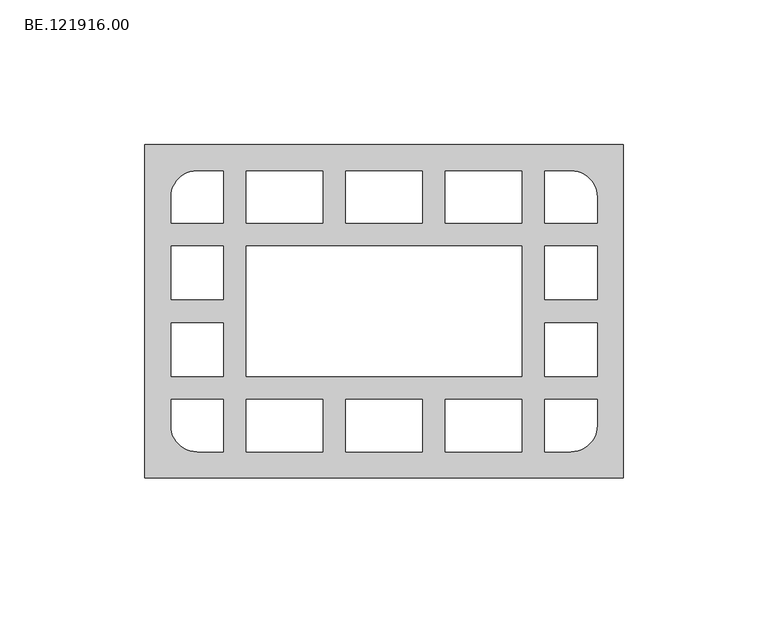
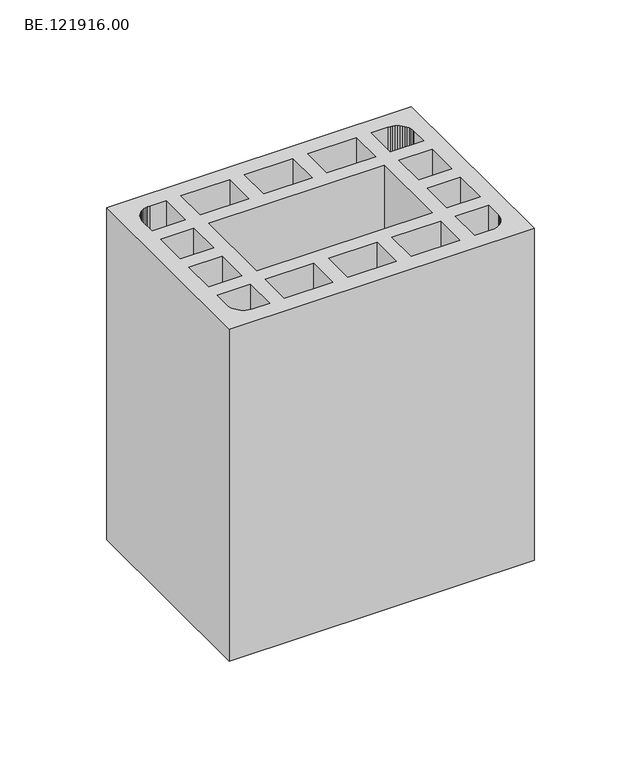
"""IFC4 building model written with IfcOpenShell, lengths in millimetres: proxy geometry, BE.121916.00."""

import ifcopenshell
import ifcopenshell.guid

model = None  # the IFC model being written
_history = None  # IfcOwnerHistory: only IFC2X3 demands one
_inside = {}  # id of a spatial element -> (the spatial element, [elements in it])
_under = {}  # id of a project, library or spatial element -> (it, [spatial elements below it])
_declared = {}  # id of a project -> (the project, [libraries it declares])
_typed = {}  # id of a type object -> (the type object, [elements of that type])
_made_of = {}  # id of a material, layer set ... -> (it, [elements and type objects made of it])


def new_model(schema):
    """Start an empty IFC model of exactly this schema.

    Asked for "IFC4X3", IfcOpenShell would pick the latest addendum, in which some entities
    have other attributes; the version numbers below select the first issue.
    IFC2X3 requires an IfcOwnerHistory on every rooted entity: one is made here for all.
    """
    global model, _history
    if schema == "IFC4X3":
        model = ifcopenshell.file(schema_version=(4, 3, 0, 0))
    else:
        model = ifcopenshell.file(schema=schema)
    _inside.clear()
    _under.clear()
    _declared.clear()
    _typed.clear()
    _made_of.clear()
    _history = None
    if model.schema == "IFC2X3":
        org = make("IfcOrganization", Name="unknown")
        user = make(
            "IfcPersonAndOrganization",
            ThePerson=make("IfcPerson", FamilyName="unknown"),
            TheOrganization=org,
        )
        app = make(
            "IfcApplication",
            ApplicationDeveloper=org,
            Version="unknown",
            ApplicationFullName="unknown",
            ApplicationIdentifier="unknown",
        )
        _history = make(
            "IfcOwnerHistory",
            OwningUser=user,
            OwningApplication=app,
            ChangeAction="ADDED",
            CreationDate=0,
        )
    return model


def make(cls, **values):
    """One entity of the class cls with the attributes given. An attribute that is None is left unset."""
    return model.create_entity(
        cls, **{name: value for name, value in values.items() if value is not None}
    )


def rooted(cls, **values):
    """An entity with a GlobalId (a new one), such as an element, a storey or a relation."""
    return make(cls, GlobalId=ifcopenshell.guid.new(), OwnerHistory=_history, **values)


def si_unit(unit_type, name, prefix=None):
    """IfcSIUnit, for example si_unit("LENGTHUNIT", "METRE", prefix="MILLI")."""
    return make("IfcSIUnit", UnitType=unit_type, Prefix=prefix, Name=name)


def assignment(units):
    """IfcUnitAssignment: the units of a project."""
    return None if units is None else make("IfcUnitAssignment", Units=units)


def point(xyz):
    """IfcCartesianPoint."""
    return None if xyz is None else make("IfcCartesianPoint", Coordinates=xyz)


def direction(xyz):
    """IfcDirection."""
    return None if xyz is None else make("IfcDirection", DirectionRatios=xyz)


def frame(location, z_axis=None, x_axis=None):
    """IfcAxis2Placement3D, a coordinate frame: its origin and axes. An axis left out is left unset."""
    return make(
        "IfcAxis2Placement3D",
        Location=point(location),
        Axis=direction(z_axis),
        RefDirection=direction(x_axis),
    )


def origin():
    """The frame at (0, 0, 0) with its axes left unset."""
    return frame((0.0, 0.0, 0.0))


def origin_with_axes():
    """The frame at (0, 0, 0) with the z axis (0, 0, 1) and the x axis (1, 0, 0) written out."""
    return frame((0.0, 0.0, 0.0), z_axis=(0.0, 0.0, 1.0), x_axis=(1.0, 0.0, 0.0))


def place(relative_to, where):
    """IfcLocalPlacement: puts the frame where relative to a parent placement (None: the world)."""
    return make(
        "IfcLocalPlacement", PlacementRelTo=relative_to, RelativePlacement=where
    )


def context(
    kind, dimensions, precision=None, world=None, true_north=None, identifier=None
):
    """IfcGeometricRepresentationContext, for example the 3D "Model" context."""
    return make(
        "IfcGeometricRepresentationContext",
        ContextIdentifier=identifier,
        ContextType=kind,
        CoordinateSpaceDimension=dimensions,
        Precision=precision,
        WorldCoordinateSystem=world,
        TrueNorth=true_north,
    )


def project(units=None, contexts=None):
    """IfcProject with its units and contexts."""
    return rooted(
        "IfcProject",
        Name="project",
        RepresentationContexts=contexts,
        UnitsInContext=assignment(units),
    )


def spatial(cls, under=None, at=None, **own):
    """A site, building, storey or space (cls), placed at a placement, below another one or the project."""
    s = rooted(cls, ObjectPlacement=at, **own)
    if under is not None:
        _under.setdefault(under.id(), (under, []))[1].append(s)
    return s


def polyline(points):
    """IfcPolyline through the points."""
    return make("IfcPolyline", Points=[point(p) for p in points])


def outline(outer, holes=None, kind="AREA"):
    """IfcArbitraryClosedProfileDef: a profile drawn as a closed curve; with holes, ...WithVoids."""
    if holes is None:
        return make("IfcArbitraryClosedProfileDef", ProfileType=kind, OuterCurve=outer)
    return make(
        "IfcArbitraryProfileDefWithVoids",
        ProfileType=kind,
        OuterCurve=outer,
        InnerCurves=holes,
    )


def extrude(swept, where, along, depth):
    """IfcExtrudedAreaSolid: the profile swept, set in the frame where, extruded along a direction by depth."""
    return make(
        "IfcExtrudedAreaSolid",
        SweptArea=swept,
        Position=where,
        ExtrudedDirection=direction(along),
        Depth=depth,
    )


def shape(context_of_items, identifier, shape_type, items):
    """IfcShapeRepresentation: the items that make up one representation, for example the "Body"."""
    return make(
        "IfcShapeRepresentation",
        ContextOfItems=context_of_items,
        RepresentationIdentifier=identifier,
        RepresentationType=shape_type,
        Items=items,
    )


def source(mapping_origin, context_of_items, identifier, shape_type, items):
    """IfcRepresentationMap: a shape defined once, which mapped items show again and again."""
    return make(
        "IfcRepresentationMap",
        MappingOrigin=mapping_origin,
        MappedRepresentation=shape(context_of_items, identifier, shape_type, items),
    )


def transform(
    local_origin,
    x_axis=None,
    y_axis=None,
    z_axis=None,
    scale=None,
    scale2=None,
    scale3=None,
    uniform=True,
):
    """IfcCartesianTransformationOperator3D, or its non-uniform kind. x_axis, y_axis, z_axis: its Axis1, 2, 3."""
    if uniform:
        return make(
            "IfcCartesianTransformationOperator3D",
            Axis1=direction(x_axis),
            Axis2=direction(y_axis),
            LocalOrigin=point(local_origin),
            Scale=scale,
            Axis3=direction(z_axis),
        )
    return make(
        "IfcCartesianTransformationOperator3DnonUniform",
        Axis1=direction(x_axis),
        Axis2=direction(y_axis),
        LocalOrigin=point(local_origin),
        Scale=scale,
        Axis3=direction(z_axis),
        Scale2=scale2,
        Scale3=scale3,
    )


def mapped(mapping_source, mapping_target):
    """IfcMappedItem: shows the shape of a source again, moved by a transform."""
    return make(
        "IfcMappedItem", MappingSource=mapping_source, MappingTarget=mapping_target
    )


def made_of(thing, what):
    """Note that an element or type object is made of a material, layer set ...; save() writes the relation."""
    if what is not None:
        _made_of.setdefault(what.id(), (what, []))[1].append(thing)
    return thing


def element(
    cls,
    number,
    at=None,
    inside=None,
    cuts=None,
    type_object=None,
    material=None,
    context=None,
    identifier="Body",
    shape_type=None,
    held_by="IfcProductDefinitionShape",
    body=None,
    shapes=None,
    **own,
):
    """One element of the class cls, such as IfcWall. Its Tag is "e" and its number.

    at: its placement. inside: the storey or other place that contains it. cuts: it is an
    opening in that element (IfcRelVoidsElement). A single representation is given by context,
    identifier, shape_type and body (its items); several are given by shapes. held_by: the class
    of the entity that holds the representations. save() writes the other relations.
    """
    e = rooted(cls, Tag="e%d" % number, ObjectPlacement=at, **own)
    if body is not None:
        shapes = [shape(context, identifier, shape_type, body)]
    if shapes is not None:
        e.Representation = make(held_by, Representations=shapes)
    if inside is not None:
        _inside.setdefault(inside.id(), (inside, []))[1].append(e)
    if cuts is not None:
        rooted(
            "IfcRelVoidsElement", RelatingBuildingElement=cuts, RelatedOpeningElement=e
        )
    if type_object is not None:
        _typed.setdefault(type_object.id(), (type_object, []))[1].append(e)
    return made_of(e, material)


def aggregate(whole, parts):
    """IfcRelAggregates: a whole, such as a stair, and the parts it consists of."""
    return rooted("IfcRelAggregates", RelatingObject=whole, RelatedObjects=parts)


def save(model, path):
    """Write the relations noted so far, then the file.

    IfcRelAggregates (storeys below a building ...), IfcRelContainedInSpatialStructure (elements
    in a storey), IfcRelDefinesByType, IfcRelAssociatesMaterial and IfcRelDeclares: one each for
    every whole, place, type object, material and project.
    """
    for whole, parts in _under.values():
        aggregate(whole, parts)
    for where, things in _inside.values():
        rooted(
            "IfcRelContainedInSpatialStructure",
            RelatedElements=things,
            RelatingStructure=where,
        )
    for kind, things in _typed.values():
        rooted("IfcRelDefinesByType", RelatedObjects=things, RelatingType=kind)
    for what, things in _made_of.values():
        rooted("IfcRelAssociatesMaterial", RelatedObjects=things, RelatingMaterial=what)
    for by, libraries in _declared.values():
        rooted("IfcRelDeclares", RelatingContext=by, RelatedDefinitions=libraries)
    model.write(path)


def be_121916_00_708d8274(model_context):
    return source(origin(), model_context, "Body", "SweptSolid", [
        extrude(outline(polyline([(170.0, 57.5034668), (170.0, -57.5034668), (5.0, -57.5034668), (5.0, 57.5034668), (170.0, 57.5034668)]), holes=[polyline([(32.0020996, 22.5009521), (14.0125, 22.5009521), (14.0125, 3.9997559), (32.0020996, 3.9997559), (32.0020996, 22.5009521)]), polyline([(32.0020996, -22.5009521), (32.0020996, -3.9997559), (14.0125, -3.9997559), (14.0125, -22.5009521), (32.0020996, -22.5009521)]), polyline([(14.0041016, 30.5004639), (32.0030029, 30.5004639), (32.0030029, 48.4993652), (23.0082031, 48.4993652), (21.8268799, 48.4249512), (20.6734619, 48.1924072), (19.557251, 47.8203369), (18.5061523, 47.2994385), (17.5294678, 46.6390137), (16.636499, 45.8669678), (15.8644531, 44.9833008), (15.2133301, 43.9973145), (14.6924316, 42.9462158), (14.3110596, 41.8300049), (14.0785156, 40.6765869), (14.0041016, 39.5045654), (14.0041016, 30.5004639)]), polyline([(14.0041016, -30.5004639), (14.0041016, -39.5045654), (14.0785156, -40.6765869), (14.3110596, -41.8300049), (14.6924316, -42.9462158), (15.2133301, -43.9973145), (15.8644531, -44.9833008), (16.636499, -45.8669678), (17.5294678, -46.6390137), (18.5061523, -47.2994385), (19.557251, -47.8203369), (20.6734619, -48.1924072), (21.8268799, -48.4249512), (23.0082031, -48.4993652), (32.0030029, -48.4993652), (32.0030029, -30.5004639), (14.0041016, -30.5004639)]), polyline([(143.0081055, 22.5009521), (143.0081055, 3.9997559), (160.9977051, 3.9997559), (160.9977051, 22.5009521), (143.0081055, 22.5009521)]), polyline([(143.0081055, -22.5009521), (160.9977051, -22.5009521), (160.9977051, -3.9997559), (143.0081055, -3.9997559), (143.0081055, -22.5009521)]), polyline([(161.0061035, 30.5004639), (161.0061035, 39.5045654), (160.9316895, 40.6765869), (160.6991455, 41.8300049), (160.3177734, 42.9462158), (159.796875, 43.9973145), (159.145752, 44.9833008), (158.3737061, 45.8669678), (157.4807373, 46.6390137), (156.5040527, 47.2994385), (155.4529541, 47.8203369), (154.3367432, 48.1924072), (153.1833252, 48.4249512), (152.002002, 48.4993652), (143.0072021, 48.4993652), (143.0072021, 30.5004639), (161.0061035, 30.5004639)]), polyline([(161.0061035, -30.5004639), (143.0072021, -30.5004639), (143.0072021, -48.4993652), (152.002002, -48.4993652), (153.1833252, -48.4249512), (154.3367432, -48.1924072), (155.4529541, -47.8203369), (156.5040527, -47.2994385), (157.4807373, -46.6390137), (158.3737061, -45.8669678), (159.145752, -44.9833008), (159.796875, -43.9973145), (160.3177734, -42.9462158), (160.6991455, -41.8300049), (160.9316895, -40.6765869), (161.0061035, -39.5045654), (161.0061035, -30.5004639)]), polyline([(40.0001892, 48.4970398), (40.0001892, 30.4969757), (66.3334656, 30.4969757), (66.3334656, 48.4970398), (40.0001892, 48.4970398)]), polyline([(74.3353027, 30.4969757), (100.6685791, 30.4969757), (100.6685791, 48.4970398), (74.3353027, 48.4970398), (74.3353027, 30.4969757)]), polyline([(108.6657654, 48.4970398), (108.6657654, 30.4969757), (135.0013672, 30.4969757), (135.0013672, 48.4970398), (108.6657654, 48.4970398)]), polyline([(135.0013672, -22.5032776), (135.0013672, 22.4963013), (40.0001892, 22.4963013), (40.0001892, -22.5032776), (135.0013672, -22.5032776)]), polyline([(66.3334656, -30.503952), (40.0001892, -30.503952), (40.0001892, -48.5028534), (66.3334656, -48.5028534), (66.3334656, -30.503952)]), polyline([(100.6685791, -30.503952), (74.3353027, -30.503952), (74.3353027, -48.5028534), (100.6685791, -48.5028534), (100.6685791, -30.503952)]), polyline([(108.6657654, -30.503952), (108.6657654, -48.5028534), (135.0013672, -48.5028534), (135.0013672, -30.503952), (108.6657654, -30.503952)])]), origin_with_axes(), (0.0, 0.0, 1.0), 190.0),
    ])


if __name__ == "__main__":
    model = new_model("IFC4")
    model_context = context("Model", 3, world=origin())
    ifc_project = project(units=[si_unit("LENGTHUNIT", "METRE", prefix="MILLI")], contexts=[model_context])
    site = spatial("IfcSite", under=ifc_project)
    building = spatial("IfcBuilding", under=site)
    placement = place(None, origin())
    be_121916_00_shape = be_121916_00_708d8274(model_context)
    element("IfcBuildingElementProxy", 1, Name="BE.121916.00", ObjectType="BE.121916.00", at=placement, inside=building, context=model_context, shape_type="MappedRepresentation", body=[
        mapped(be_121916_00_shape, transform((0.0, 0.0, 0.0), x_axis=(1.0, 0.0, 0.0), y_axis=(0.0, 1.0, 0.0), z_axis=(0.0, 0.0, 1.0))),
    ])
    save(model, "model.ifc")
